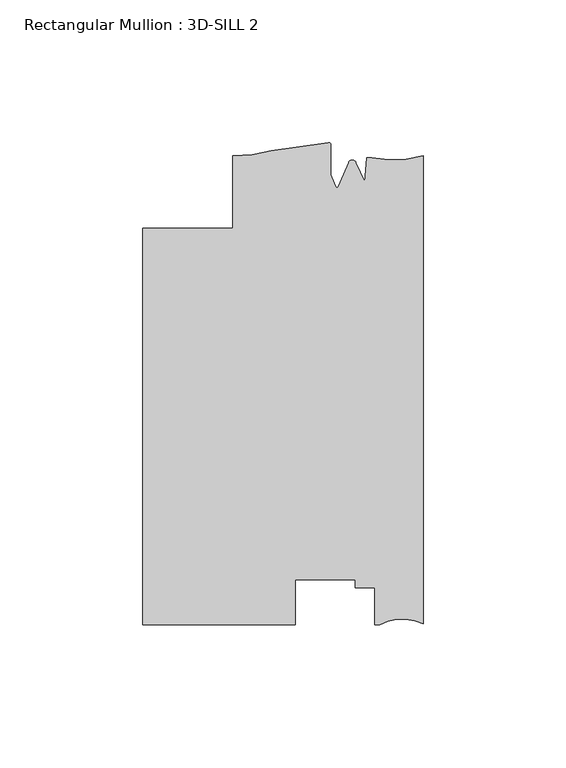
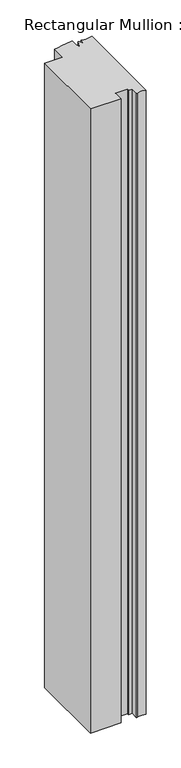
"""IFC4 building model written with IfcOpenShell, lengths in millimetres: member geometry, Rectangular Mullion : 3D-SILL 2."""

from ifc_helpers import new_model, si_unit, frame, origin, place, context, project, spatial, polyline, circle_curve, source, transform, mapped, element, save
from ifc_brep_helpers import plane_surface, cylinder_surface, revolved_surface, advanced_brep


def rectangular_mullion_3d_sill_2_f789ecc3(model_context):
    return source(origin(), model_context, "Body", "AdvancedBrep", [
        advanced_brep(
        [(-98.425, 56.896, 0.0), (-98.425, -82.296, 0.0), (-44.8099503, -82.296, 0.0), (-44.8099503, -66.3975955, 0.0), (-23.8633011, -66.3975955, 0.0), (-23.8633011, -69.2522008, 0.0), (-17.0053014, -69.2522008, 0.0), (-17.0053014, -82.296, 0.0), (-15.1680895, -82.296, 0.0), (0.0, -81.915, 0.0), (0.0, 82.296, 0.0), (-18.0334985, 81.5392621, 0.0), (-19.8211861, 81.6499282, 0.0), (-20.3867288, 73.2506089, 0.0), (-23.5593147, 79.9446564, 0.0), (-26.1362138, 79.9446564, 0.0), (-29.8075652, 71.5280889, 0.0), (-30.5559634, 71.5280889, 0.0), (-32.384137, 75.7191742, 0.0), (-32.384137, 86.2094594, 0.0), (-33.3130099, 86.9529629, 0.0), (-53.2924277, 84.1119632, 0.0), (-66.6751132, 82.296, 0.0), (-66.6751132, 56.8966464, 0.0), (-98.425, 56.896, -1159.5695312), (-66.6751132, 56.8966464, -1159.5695312), (-66.6751132, 82.296, -1159.5695312), (-53.2924277, 84.1119632, -1159.5695312), (-33.3138356, 86.9527771, -1159.5695312), (-32.384137, 86.2094594, -1159.5695312), (-32.384137, 75.7191742, -1159.5695312), (-30.5559634, 71.5280889, -1159.5695312), (-29.8075652, 71.5280889, -1159.5695312), (-26.1362138, 79.9446564, -1159.5695312), (-23.5593147, 79.9446564, -1159.5695312), (-20.3867288, 73.2506089, -1159.5695312), (-19.8211861, 81.6499282, -1159.5695312), (-18.0334985, 81.5392621, -1159.5695312), (0.0, 82.296, -1159.5695312), (0.0, -81.915, -1159.5695312), (-15.1680895, -82.296, -1159.5695312), (-17.0053014, -82.296, -1159.5695312), (-17.0053014, -69.2522008, -1159.5695312), (-23.8633011, -69.2522008, -1159.5695312), (-23.8633011, -66.3975955, -1159.5695312), (-44.8099503, -66.3975955, -1159.5695312), (-44.8099503, -82.296, -1159.5695312), (-98.425, -82.296, -1159.5695312)],
        [
            (0, 1),
            (1, 2),
            (2, 3),
            (3, 4),
            (4, 5),
            (5, 6),
            (6, 7),
            (7, 8),
            (8, 9, circle_curve(frame((-7.2326507, -96.0949391, 0.0), z_axis=(0.0, 0.0, -1.0), x_axis=(0.0, -1.0, 0.0)), 15.9179744)),
            (9, 10),
            (10, 11, circle_curve(frame((-10.6264113, 120.2768025, 0.0), z_axis=(0.0, 0.0, -1.0), x_axis=(0.0, -1.0, 0.0)), 39.4393455)),
            (11, 12),
            (12, 13),
            (13, 14),
            (14, 15, circle_curve(frame((-24.8477643, 79.4047428, 0.0), z_axis=(0.0, 0.0, 1.0), x_axis=(-0.9222974554240703, 0.38648079346622805, 0.0)), 1.397)),
            (15, 16),
            (16, 17, circle_curve(frame((-30.1817643, 71.4564228, 0.0), z_axis=(0.0, 0.0, -1.0), x_axis=(-0.9821498950386456, 0.1880999300254456, 0.0)), 0.381)),
            (17, 18),
            (18, 19),
            (19, 20, circle_curve(frame((-33.146137, 86.2094594, 0.0), z_axis=(0.0, 0.0, 1.0), x_axis=(1.0, 0.0, 0.0)), 0.762)),
            (20, 21, circle_curve(frame((-61.125498, 210.871727, 0.0), z_axis=(0.0, 0.0, -1.0), x_axis=(0.2189867881896227, -0.9757278240361876, 0.0)), 127.0015539)),
            (21, 22, circle_curve(frame((-65.8289407, 126.2797855, 0.0), z_axis=(0.0, 0.0, -1.0), x_axis=(0.0, -1.0, 0.0)), 43.9919242)),
            (22, 23),
            (23, 0),
            (24, 25),
            (25, 26),
            (26, 27, circle_curve(frame((-65.8289407, 126.2797855, -1159.5695312), z_axis=(0.0, 0.0, 1.0), x_axis=(0.0, -1.0, 0.0)), 43.9919242)),
            (27, 28, circle_curve(frame((-61.125498, 210.871727, -1159.5695312), z_axis=(0.0, 0.0, 1.0), x_axis=(0.2189867881896227, -0.9757278240361876, 0.0)), 127.0015539)),
            (28, 29, circle_curve(frame((-33.146137, 86.2094594, -1159.5695312), z_axis=(0.0, 0.0, -1.0), x_axis=(1.0, 0.0, 0.0)), 0.762)),
            (29, 30),
            (30, 31),
            (31, 32, circle_curve(frame((-30.1817643, 71.4564228, -1159.5695312), z_axis=(0.0, 0.0, 1.0), x_axis=(-0.9821498950386456, 0.1880999300254456, 0.0)), 0.381)),
            (32, 33),
            (33, 34, circle_curve(frame((-24.8477643, 79.4047428, -1159.5695312), z_axis=(0.0, 0.0, -1.0), x_axis=(-0.9222974554240703, 0.38648079346622805, 0.0)), 1.397)),
            (34, 35),
            (35, 36),
            (36, 37),
            (37, 38, circle_curve(frame((-10.6264113, 120.2768025, -1159.5695312), z_axis=(0.0, 0.0, 1.0), x_axis=(0.0, -1.0, 0.0)), 39.4393455)),
            (38, 39),
            (39, 40, circle_curve(frame((-7.2326507, -96.0949391, -1159.5695312), z_axis=(0.0, 0.0, 1.0), x_axis=(0.0, -1.0, 0.0)), 15.9179744)),
            (40, 41),
            (41, 42),
            (42, 43),
            (43, 44),
            (44, 45),
            (45, 46),
            (46, 47),
            (47, 24),
            (0, 24),
            (47, 1),
            (46, 2),
            (45, 3),
            (44, 4),
            (43, 5),
            (42, 6),
            (41, 7),
            (40, 8),
            (39, 9),
            (38, 10),
            (37, 11),
            (36, 12),
            (35, 13),
            (34, 14),
            (33, 15),
            (32, 16),
            (31, 17),
            (30, 18),
            (29, 19),
            (28, 20),
            (27, 21),
            (26, 22),
            (25, 23),
        ],
        [
            plane_surface(frame((0.0, -128.2969689, 0.0), z_axis=(0.0, 0.0, 1.0), x_axis=(-1.0, 0.0, 0.0))),
            plane_surface(frame((0.0, -128.2969689, -1159.5695312), z_axis=(0.0, 0.0, -1.0), x_axis=(-1.0, 0.0, 0.0))),
            plane_surface(frame((-98.425, 56.896, 0.0), z_axis=(-1.0, 0.0, 0.0), x_axis=(0.0, 0.0, -1.0))),
            plane_surface(frame((-98.425, -82.296, 0.0), z_axis=(0.0, -1.0, 0.0), x_axis=(0.0, 0.0, -1.0))),
            plane_surface(frame((-44.8099503, -82.296, 0.0), z_axis=(1.0, 0.0, 0.0), x_axis=(0.0, 0.0, -1.0))),
            plane_surface(frame((-44.8099503, -66.3975955, 0.0), z_axis=(0.0, -1.0, 0.0), x_axis=(0.0, 0.0, -1.0))),
            plane_surface(frame((-23.8633011, -66.3975955, 0.0), z_axis=(-1.0, 0.0, 0.0), x_axis=(0.0, 0.0, -1.0))),
            plane_surface(frame((-23.8633011, -69.2522008, 0.0), z_axis=(0.0, -1.0, 0.0), x_axis=(0.0, 0.0, -1.0))),
            plane_surface(frame((-17.0053014, -69.2522008, 0.0), z_axis=(-1.0, 0.0, 0.0), x_axis=(0.0, 0.0, -1.0))),
            plane_surface(frame((-17.0053014, -82.296, 0.0), z_axis=(0.0, -1.0, 0.0), x_axis=(0.0, 0.0, -1.0))),
            revolved_surface(polyline([(-7.2326507, -112.01291350000001, -1159.5695312), (-7.2326507, -112.01291350000001, 0.0)]), (-7.2326507, -96.0949391, 0.0), (0.0, 0.0, -1.0)),
            plane_surface(frame((0.0, -81.915, 0.0), z_axis=(1.0, 0.0, 0.0), x_axis=(0.0, 0.0, -1.0))),
            revolved_surface(polyline([(-10.6264113, 80.837457, -1159.5695312), (-10.6264113, 80.837457, 0.0)]), (-10.6264113, 120.2768025, 0.0), (0.0, 0.0, -1.0)),
            plane_surface(frame((-18.0334985, 81.5392621, 0.0), z_axis=(0.0617863276188998, 0.9980893996628609, 0.0), x_axis=(0.0, 0.0, -1.0))),
            plane_surface(frame((-19.8211861, 81.6499282, 0.0), z_axis=(-0.997740881645106, 0.06717985631159565, 0.0), x_axis=(0.0, 0.0, -1.0))),
            plane_surface(frame((-20.3867288, 73.2506089, 0.0), z_axis=(0.9036479198265283, 0.4282761223710569, 0.0), x_axis=(0.0, 0.0, -1.0))),
            cylinder_surface(frame((-24.8477643, 79.4047428, 0.0), z_axis=(0.0, 0.0, 1.0), x_axis=(-0.9222974554240703, 0.38648079346622805, 0.0)), 1.397),
            plane_surface(frame((-26.1362138, 79.9446564, 0.0), z_axis=(-0.9165925711538568, 0.3998225337641213, 0.0), x_axis=(0.0, 0.0, -1.0))),
            revolved_surface(polyline([(-30.555963410009724, 71.5280888733397, -1159.5695312), (-30.555963410009724, 71.5280888733397, 0.0)]), (-30.1817643, 71.4564228, 0.0), (0.0, 0.0, -1.0)),
            plane_surface(frame((-30.5559634, 71.5280889, 0.0), z_axis=(0.9165925711538717, 0.39982253376408716, 0.0), x_axis=(0.0, 0.0, -1.0))),
            plane_surface(frame((-32.384137, 75.7191742, 0.0), z_axis=(1.0, 0.0, 0.0), x_axis=(0.0, 0.0, -1.0))),
            cylinder_surface(frame((-33.146137, 86.2094594, 0.0), z_axis=(0.0, 0.0, 1.0), x_axis=(1.0, 0.0, 0.0)), 0.762),
            revolved_surface(polyline([(-33.313835616347745, 86.95277716393839, -1159.5695312000005), (-33.313835616347745, 86.95277716393839, 0.0)]), (-61.125498, 210.871727, 0.0), (0.0, 0.0, -1.0000000000000002)),
            revolved_surface(polyline([(-65.8289407, 82.2878613, -1159.5695312), (-65.8289407, 82.2878613, 0.0)]), (-65.8289407, 126.2797855, 0.0), (0.0, 0.0, -1.0)),
            plane_surface(frame((-66.6751132, 82.296, 0.0), z_axis=(-1.0, 0.0, 0.0), x_axis=(0.0, 0.0, -1.0))),
            plane_surface(frame((-66.6751132, 56.8966464, 0.0), z_axis=(-2.0360673595886705e-05, 0.9999999997927215, 0.0), x_axis=(0.0, 0.0, -1.0))),
        ],
        [
            (0, [[1, 2, 3, 4, 5, 6, 7, 8, 9, 10, 11, 12, 13, 14, 15, 16, 17, 18, 19, 20, 21, 22, 23, 24]]),
            (1, [[25, 26, 27, 28, 29, 30, 31, 32, 33, 34, 35, 36, 37, 38, 39, 40, 41, 42, 43, 44, 45, 46, 47, 48]]),
            (2, [[-1, 49, -48, 50]]),
            (3, [[-2, -50, -47, 51]]),
            (4, [[-3, -51, -46, 52]]),
            (5, [[-4, -52, -45, 53]]),
            (6, [[-5, -53, -44, 54]]),
            (7, [[-6, -54, -43, 55]]),
            (8, [[-7, -55, -42, 56]]),
            (9, [[-8, -56, -41, 57]]),
            (10, [[-9, -57, -40, 58]]),
            (11, [[-10, -58, -39, 59]]),
            (12, [[-11, -59, -38, 60]]),
            (13, [[-12, -60, -37, 61]]),
            (14, [[-13, -61, -36, 62]]),
            (15, [[-14, -62, -35, 63]]),
            (16, [[-15, -63, -34, 64]]),
            (17, [[-16, -64, -33, 65]]),
            (18, [[-17, -65, -32, 66]]),
            (19, [[-18, -66, -31, 67]]),
            (20, [[-19, -67, -30, 68]]),
            (21, [[-20, -68, -29, 69]]),
            (22, [[-21, -69, -28, 70]]),
            (23, [[-22, -70, -27, 71]]),
            (24, [[-23, -71, -26, 72]]),
            (25, [[-24, -72, -25, -49]]),
        ],
    ),
    ])


if __name__ == "__main__":
    model = new_model("IFC4")
    model_context = context("Model", 3, world=origin())
    ifc_project = project(units=[si_unit("LENGTHUNIT", "METRE", prefix="MILLI")], contexts=[model_context])
    site = spatial("IfcSite", under=ifc_project)
    building = spatial("IfcBuilding", under=site)
    placement = place(None, origin())
    rectangular_mullion_3d_sill_2_shape = rectangular_mullion_3d_sill_2_f789ecc3(model_context)
    element("IfcMember", 1, ObjectType="Rectangular Mullion : 3D-SILL 2", at=placement, inside=building, context=model_context, shape_type="MappedRepresentation", body=[
        mapped(rectangular_mullion_3d_sill_2_shape, transform((0.0, 0.0, 0.0), x_axis=(1.0, 0.0, 0.0), y_axis=(0.0, 1.0, 0.0), z_axis=(0.0, 0.0, 1.0))),
    ])
    save(model, "model.ifc")
